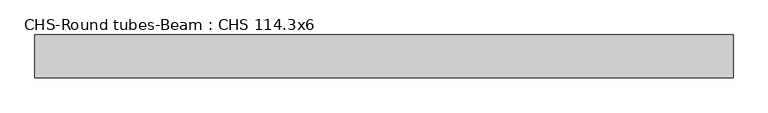
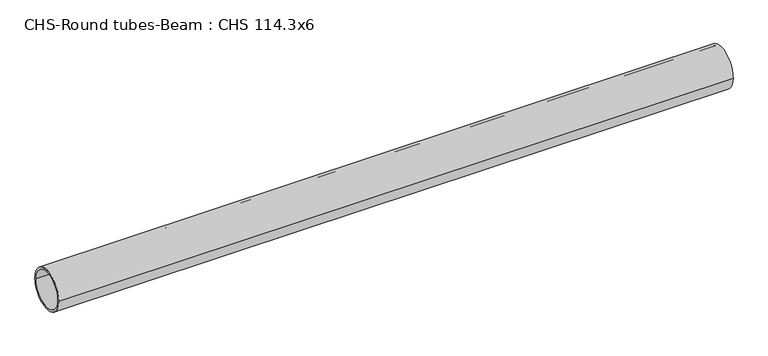
"""IFC4 building model written with IfcOpenShell, lengths in millimetres: beam geometry, CHS-Round tubes-Beam : CHS 114.3x6."""

from ifc_helpers import new_model, si_unit, point, frame, origin, origin_2d, place, context, project, spatial, circle_curve, trimmed, segment, composite_curve, outline, extrude, source, transform, mapped, element, save


def chs_round_tubes_beam_chs_114_3x6_dd2f013b(model_context):
    return source(origin(), model_context, "Body", "SweptSolid", [
        extrude(outline(composite_curve([segment(trimmed(circle_curve(origin_2d(), 57.15), [point((57.15, 0.0))], [point((-57.15, 0.0))], False, "CARTESIAN"), True, "CONTINUOUS"), segment(trimmed(circle_curve(origin_2d(), 57.15), [point((-57.15, 0.0))], [point((57.15, 0.0))], False, "CARTESIAN"), True, "CONTINUOUS")], self_intersect=False), holes=[composite_curve([segment(trimmed(circle_curve(origin_2d(), 51.15), [point((51.15, 0.0))], [point((-51.15, 0.0))], True, "CARTESIAN"), True, "CONTINUOUS"), segment(trimmed(circle_curve(origin_2d(), 51.15), [point((-51.15, 0.0))], [point((51.15, 0.0))], True, "CARTESIAN"), True, "CONTINUOUS")], self_intersect=False)]), frame((-932.7670301, 0.0, 0.0), z_axis=(1.0, 0.0, 0.0), x_axis=(0.0, 1.0, 0.0)), (0.0, 0.0, 1.0), 1868.5497094),
    ])


if __name__ == "__main__":
    model = new_model("IFC4")
    model_context = context("Model", 3, world=origin())
    ifc_project = project(units=[si_unit("LENGTHUNIT", "METRE", prefix="MILLI")], contexts=[model_context])
    site = spatial("IfcSite", under=ifc_project)
    building = spatial("IfcBuilding", under=site)
    placement = place(None, origin())
    chs_round_tubes_beam_chs_114_3x6_shape = chs_round_tubes_beam_chs_114_3x6_dd2f013b(model_context)
    element("IfcBeam", 1, ObjectType="CHS-Round tubes-Beam : CHS 114.3x6", at=placement, inside=building, context=model_context, shape_type="MappedRepresentation", body=[
        mapped(chs_round_tubes_beam_chs_114_3x6_shape, transform((0.0, 0.0, 0.0), x_axis=(1.0, 0.0, 0.0), y_axis=(0.0, 1.0, 0.0), z_axis=(0.0, 0.0, 1.0))),
    ])
    save(model, "model.ifc")
